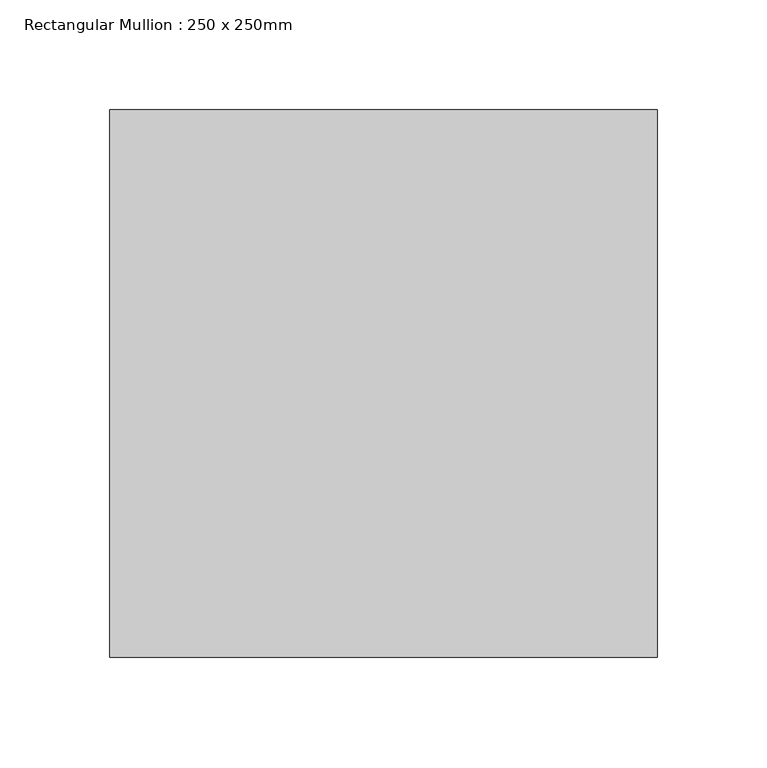
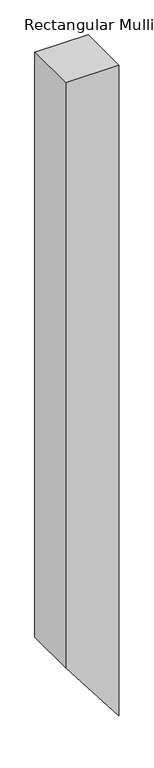
"""IFC4 building model written with IfcOpenShell, lengths in millimetres: member geometry, Rectangular Mullion : 250 x 250mm."""

from ifc_helpers import new_model, si_unit, frame, origin, place, context, project, spatial, polyline, outline, extrude, source, transform, mapped, element, save


def rectangular_mullion_250_x_250mm_bdda77d3(model_context):
    return source(origin(), model_context, "Body", "SweptSolid", [
        extrude(outline(polyline([(0.0, 0.0), (0.0, -250.0), (-2909.4317206, -250.0), (-3235.2380638, 0.0), (0.0, 0.0)])), frame((0.0, -125.0, 0.0), z_axis=(0.0, 1.0, 0.0), x_axis=(0.0, 0.0, 1.0)), (0.0, 0.0, 1.0), 250.0),
    ])


if __name__ == "__main__":
    model = new_model("IFC4")
    model_context = context("Model", 3, world=origin())
    ifc_project = project(units=[si_unit("LENGTHUNIT", "METRE", prefix="MILLI")], contexts=[model_context])
    site = spatial("IfcSite", under=ifc_project)
    building = spatial("IfcBuilding", under=site)
    placement = place(None, origin())
    rectangular_mullion_250_x_250mm_shape = rectangular_mullion_250_x_250mm_bdda77d3(model_context)
    element("IfcMember", 1, ObjectType="Rectangular Mullion : 250 x 250mm", at=placement, inside=building, context=model_context, shape_type="MappedRepresentation", body=[
        mapped(rectangular_mullion_250_x_250mm_shape, transform((0.0, 0.0, 0.0), x_axis=(1.0, 0.0, 0.0), y_axis=(0.0, 1.0, 0.0), z_axis=(0.0, 0.0, 1.0))),
    ])
    save(model, "model.ifc")
